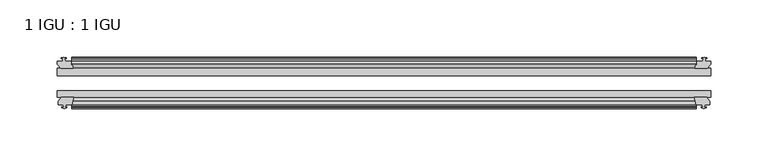
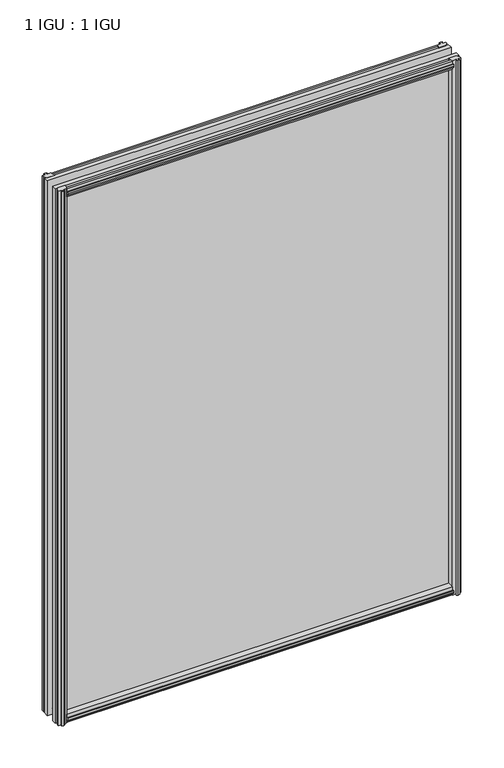
"""IFC4 building model written with IfcOpenShell, lengths in millimetres: plate geometry, 1 IGU : 1 IGU."""

from ifc_helpers import new_model, si_unit, frame, origin, place, context, project, spatial, polyline, outline, extrude, source, transform, mapped, element, save


def plate_1_igu_1_igu_4471eee0(model_context):
    return source(origin(), model_context, "Body", "SweptSolid", [
        extrude(outline(polyline([(-25.8960937, 1.1970181), (-19.5460937, -0.5207), (-19.5460937, -5.7277), (-17.1658968, -6.1087), (-17.62583, -4.6931709), (-16.8246158, -4.6931709), (-16.1170937, -6.8707), (-16.8246158, -9.0482291), (-17.62583, -9.0482291), (-17.1658968, -7.6327), (-19.5460937, -8.0137), (-19.5460937, -12.4587), (-22.4924937, -12.4587), (-25.8960937, -9.6243578), (-25.8960937, 1.1970181)])), frame((-273.0499997, 0.0, 0.0), z_axis=(1.0, 0.0, 0.0), x_axis=(0.0, 1.0, 0.0)), (0.0, 0.0, 1.0), 546.0999994),
        extrude(outline(polyline([(-51.2960937, 1.7177181), (-51.2960937, -9.1036578), (-54.6996937, -11.938), (-57.6460937, -11.938), (-57.6460937, -7.493), (-60.0262907, -7.112), (-59.5663575, -8.5275291), (-60.3675717, -8.5275291), (-61.0750937, -6.35), (-60.3675717, -4.1724709), (-59.5663575, -4.1724709), (-60.0262907, -5.588), (-57.6460937, -5.207), (-57.6460937, 0.0), (-51.2960937, 1.7177181)])), frame((-273.0499997, 0.0, 0.0), z_axis=(1.0, 0.0, 0.0), x_axis=(0.0, 1.0, 0.0)), (0.0, 0.0, 1.0), 546.0999994),
        extrude(outline(polyline([(-57.6460937, 786.638), (-54.6996937, 786.638), (-51.2960937, 783.8036578), (-51.2960937, 772.9822819), (-57.6460937, 774.7), (-57.6460937, 779.907), (-60.0262907, 780.288), (-59.5663575, 778.872471), (-60.3675717, 778.872471), (-61.0750937, 781.05), (-60.3675717, 783.2275291), (-59.5663575, 783.2275291), (-60.0262907, 781.812), (-57.6460937, 782.193), (-57.6460937, 786.638)])), frame((-273.0499997, 0.0, 0.0), z_axis=(1.0, 0.0, 0.0), x_axis=(0.0, 1.0, 0.0)), (0.0, 0.0, 1.0), 546.0999994),
        extrude(outline(polyline([(-19.5460937, 787.1587), (-19.5460937, 782.7137), (-17.1658968, 782.3327), (-17.62583, 783.7482291), (-16.8246158, 783.7482291), (-16.1170937, 781.5707), (-16.8246158, 779.393171), (-17.62583, 779.393171), (-17.1658968, 780.8087), (-19.5460937, 780.4277), (-19.5460937, 775.2207), (-25.8960937, 773.5029819), (-25.8960937, 784.3243578), (-22.4924937, 787.1587), (-19.5460937, 787.1587)])), frame((-273.0499997, 0.0, 0.0), z_axis=(1.0, 0.0, 0.0), x_axis=(0.0, 1.0, 0.0)), (0.0, 0.0, 1.0), 546.0999994),
        extrude(outline(polyline([(-279.9206997, -16.1170937), (-277.7431707, -16.8246158), (-277.7431707, -17.62583), (-279.1586997, -17.1658968), (-278.7776997, -19.5460937), (-273.5706997, -19.5460937), (-271.8529816, -25.8960937), (-282.6743575, -25.8960937), (-285.5086997, -22.4924937), (-285.5086997, -19.5460937), (-281.0636997, -19.5460937), (-280.6826997, -17.1658968), (-282.0982288, -17.62583), (-282.0982288, -16.8246158), (-279.9206997, -16.1170937)])), frame((0.0, 0.0, -12.7), z_axis=(0.0, 0.0, 1.0), x_axis=(1.0, 0.0, 0.0)), (0.0, 0.0, 1.0), 800.1),
        extrude(outline(polyline([(-279.3999997, -61.0750938), (-281.5775288, -60.3675717), (-281.5775288, -59.5663575), (-280.1619997, -60.0262907), (-280.5429997, -57.6460938), (-284.9879997, -57.6460938), (-284.9879997, -54.6996938), (-282.1536575, -51.2960937), (-271.3322816, -51.2960937), (-273.0499997, -57.6460938), (-278.2569997, -57.6460938), (-278.6379997, -60.0262907), (-277.2224707, -59.5663575), (-277.2224707, -60.3675717), (-279.3999997, -61.0750938)])), frame((0.0, 0.0, -12.7), z_axis=(0.0, 0.0, 1.0), x_axis=(1.0, 0.0, 0.0)), (0.0, 0.0, 1.0), 800.1),
        extrude(outline(polyline([(278.7776997, -19.5460937), (279.1586997, -17.1658968), (277.7431707, -17.62583), (277.7431707, -16.8246158), (279.9206997, -16.1170937), (282.0982288, -16.8246158), (282.0982288, -17.62583), (280.6826997, -17.1658968), (281.0636997, -19.5460937), (285.5086997, -19.5460937), (285.5086997, -22.4924937), (282.6743575, -25.8960937), (271.8529816, -25.8960937), (273.5706997, -19.5460937), (278.7776997, -19.5460937)])), frame((0.0, 0.0, -12.7), z_axis=(0.0, 0.0, 1.0), x_axis=(1.0, 0.0, 0.0)), (0.0, 0.0, 1.0), 800.1),
        extrude(outline(polyline([(282.1536575, -51.2960937), (284.9879997, -54.6996937), (284.9879997, -57.6460937), (280.5429997, -57.6460937), (280.1619997, -60.0262907), (281.5775288, -59.5663575), (281.5775288, -60.3675717), (279.3999997, -61.0750937), (277.2224707, -60.3675717), (277.2224707, -59.5663575), (278.6379997, -60.0262907), (278.2569997, -57.6460937), (273.0499997, -57.6460937), (271.3322816, -51.2960937), (282.1536575, -51.2960937)])), frame((0.0, 0.0, -12.7), z_axis=(0.0, 0.0, 1.0), x_axis=(1.0, 0.0, 0.0)), (0.0, 0.0, 1.0), 800.1),
        extrude(outline(polyline([(-285.7499997, -25.8960937), (285.7499997, -25.8960937), (285.7499997, -32.2460937), (-285.7499997, -32.2460937), (-285.7499997, -25.8960937)])), frame((0.0, 0.0, -12.7), z_axis=(0.0, 0.0, 1.0), x_axis=(1.0, 0.0, 0.0)), (0.0, 0.0, 1.0), 800.1),
        extrude(outline(polyline([(285.7499997, -45.2686737), (285.7499997, -51.2960937), (-285.7499997, -51.2960937), (-285.7499997, -45.2686737), (285.7499997, -45.2686737)])), frame((0.0, 0.0, -12.7), z_axis=(0.0, 0.0, 1.0), x_axis=(1.0, 0.0, 0.0)), (0.0, 0.0, 1.0), 800.1),
    ])


if __name__ == "__main__":
    model = new_model("IFC4")
    model_context = context("Model", 3, world=origin())
    ifc_project = project(units=[si_unit("LENGTHUNIT", "METRE", prefix="MILLI")], contexts=[model_context])
    site = spatial("IfcSite", under=ifc_project)
    building = spatial("IfcBuilding", under=site)
    placement = place(None, origin())
    plate_1_igu_1_igu_shape = plate_1_igu_1_igu_4471eee0(model_context)
    element("IfcPlate", 1, ObjectType="1 IGU : 1 IGU", at=placement, inside=building, context=model_context, shape_type="MappedRepresentation", body=[
        mapped(plate_1_igu_1_igu_shape, transform((0.0, 0.0, 0.0), x_axis=(1.0, 0.0, 0.0), y_axis=(0.0, 1.0, 0.0), z_axis=(0.0, 0.0, 1.0))),
    ])
    save(model, "model.ifc")
